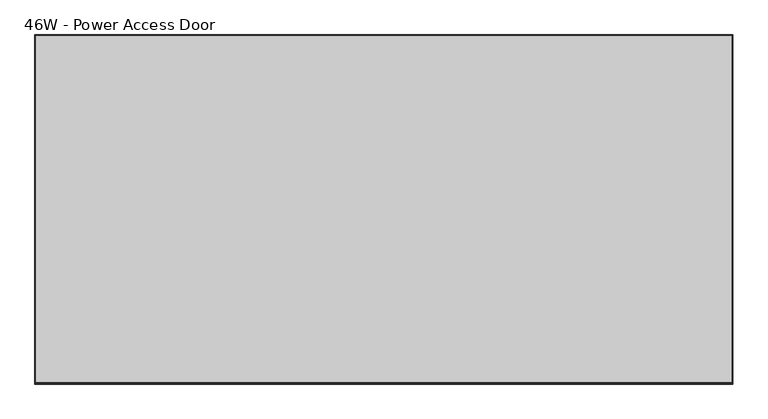
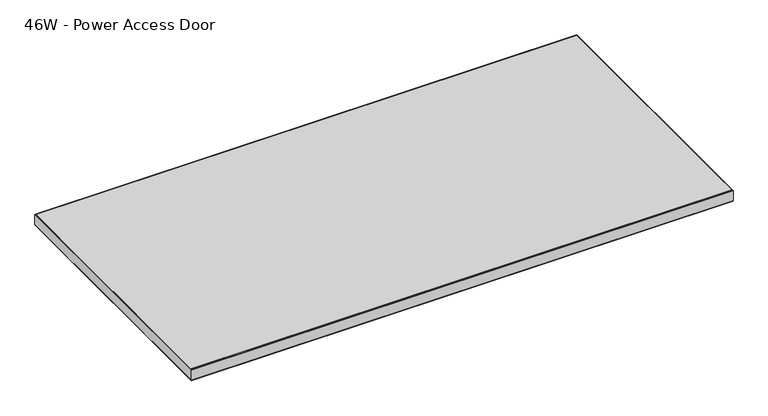
"""IFC4 building model written with IfcOpenShell, lengths in millimetres: furniture geometry, 46W - Power Access Door."""

from ifc_helpers import new_model, si_unit, frame, origin, place, context, project, spatial, polyline, outline, extrude, faceted_brep, source, transform, mapped, element, save


def furniture_46w_power_access_door_c9ed36f1(model_context):
    return source(origin(), model_context, "Body", "SolidModel", [
        faceted_brep([(-736.6, -299.199999, 760.0949564), (-736.3794226, -298.9794217, 758.844), (431.5794226, -298.9794217, 758.844), (431.8, -299.199999, 760.0949564), (431.8, -299.199999, 782.5740349), (-736.6, -299.199999, 782.5740349), (431.621518, -299.0215171, 783.844), (-736.421518, -299.0215171, 783.844), (431.5794226, 284.77935, 758.844), (431.8, 284.9999273, 760.0949564), (431.8, 284.9999273, 782.5740349), (431.621518, 284.8214454, 783.844), (430.784001, 283.9839283, 783.844), (430.784001, 283.9839283, 758.844), (430.784001, -296.1527419, 758.844), (430.784001, -296.1527419, 783.844), (-736.3794226, 284.77935, 758.844), (-736.6, 284.9999273, 760.0949564), (-736.6, 284.9999273, 782.5740349), (-736.421518, 284.8214454, 783.844), (-735.584001, 283.9839283, 783.844), (-735.584001, 283.9839283, 758.844), (-735.584001, -296.1527419, 758.844), (-735.584001, -296.1527419, 783.844)], [[[0, 1, 2, 3]], [[0, 3, 4, 5]], [[5, 4, 6, 7]], [[3, 2, 8, 9]], [[4, 3, 9, 10]], [[6, 4, 10, 11]], [[12, 13, 14, 15]], [[9, 8, 16, 17]], [[10, 9, 17, 18]], [[11, 10, 18, 19]], [[13, 12, 20, 21]], [[2, 1, 16, 8], [13, 21, 22, 14]], [[1, 0, 17, 16]], [[0, 5, 18, 17]], [[5, 7, 19, 18]], [[7, 6, 11, 19], [20, 12, 15, 23]], [[21, 20, 23, 22]], [[14, 22, 23, 15]]]),
        extrude(outline(polyline([(430.784001, 283.9839283), (430.784001, -296.1527419), (-735.584001, -296.1527419), (-735.584001, 283.9839283), (430.784001, 283.9839283)])), frame((0.0, 0.0, 758.844), z_axis=(0.0, 0.0, 1.0), x_axis=(1.0, 0.0, 0.0)), (0.0, 0.0, 1.0), 25.0),
    ])


if __name__ == "__main__":
    model = new_model("IFC4")
    model_context = context("Model", 3, world=origin())
    ifc_project = project(units=[si_unit("LENGTHUNIT", "METRE", prefix="MILLI")], contexts=[model_context])
    site = spatial("IfcSite", under=ifc_project)
    building = spatial("IfcBuilding", under=site)
    placement = place(None, origin())
    furniture_46w_power_access_door_shape = furniture_46w_power_access_door_c9ed36f1(model_context)
    element("IfcFurniture", 1, ObjectType="46W - Power Access Door", at=placement, inside=building, context=model_context, shape_type="MappedRepresentation", body=[
        mapped(furniture_46w_power_access_door_shape, transform((0.0, 0.0, 0.0), x_axis=(1.0, 0.0, 0.0), y_axis=(0.0, 1.0, 0.0), z_axis=(0.0, 0.0, 1.0))),
    ])
    save(model, "model.ifc")
